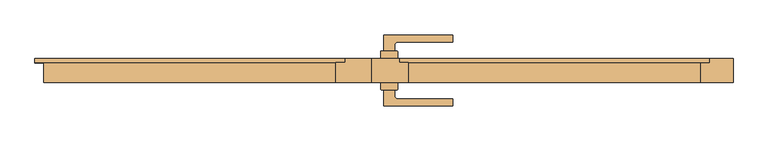
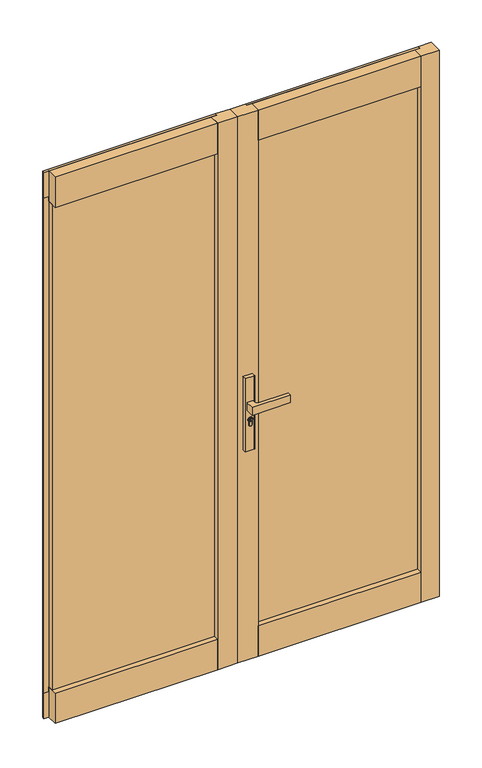
"""IFC4 building model written with IfcOpenShell, lengths in millimetres: door geometry."""

from ifc_helpers import new_model, si_unit, point, frame, frame_2d, origin, place, context, project, spatial, polyline, circle_curve, trimmed, segment, composite_curve, outline, extrude, faceted_brep, source, transform, mapped, element, save


def door_7b1aa5f5(model_context):
    return source(origin(), model_context, "Body", "SolidModel", [
        extrude(outline(composite_curve([segment(trimmed(circle_curve(frame_2d((945.687184, 35.7946715)), 5.9005564), [point((945.687184, 41.6952279))], [point((945.687184, 29.8941151))], False, "CARTESIAN"), True, "CONTINUOUS"), segment(trimmed(circle_curve(frame_2d((945.687184, 35.7946715)), 5.9005564), [point((945.687184, 29.8941151))], [point((945.687184, 41.6952279))], False, "CARTESIAN"), True, "CONTINUOUS")], self_intersect=False), holes=[polyline([(946.7492167, 34.7306001), (949.7292167, 34.7306001), (949.7292167, 36.7785396), (948.9292167, 36.7785396), (948.3483344, 35.7306001), (947.1634303, 35.7306001), (946.3431864, 36.550844), (944.6002002, 36.550844), (944.0258593, 35.7306001), (941.7685105, 35.7306001), (941.7685105, 34.7306001), (944.5464263, 34.7306001), (945.1207673, 35.550844), (945.9289729, 35.550844), (946.7492167, 34.7306001)])]), frame((0.0, -44.6737577, 0.0), z_axis=(0.0, 1.0, 0.0), x_axis=(0.0, 0.0, 1.0)), (0.0, 0.0, 1.0), 4.423715),
        extrude(outline(composite_curve([segment(polyline([(18.1461528, -39.0000422), (18.1461528, -25.0000426), (53.1461525, -25.0000426), (53.1461525, -39.0000422)]), True, "CONTINUOUS"), segment(trimmed(circle_curve(frame_2d((52.1461525, -39.0000422)), 1.0), [point((53.1461525, -39.0000422))], [point((52.1461525, -40.0000422))], False, "CARTESIAN"), True, "CONTINUOUS"), segment(polyline([(52.1461525, -40.0000422), (19.1461528, -40.0000422)]), True, "CONTINUOUS"), segment(trimmed(circle_curve(frame_2d((19.1461528, -39.0000422)), 1.0), [point((19.1461528, -40.0000422))], [point((18.1461528, -39.0000422))], False, "CARTESIAN"), True, "CONTINUOUS")], self_intersect=False)), frame((0.0, 0.0, 822.4734334), z_axis=(0.0, 0.0, 1.0), x_axis=(1.0, 0.0, 0.0)), (0.0, 0.0, 1.0), 287.6450734),
        extrude(outline(composite_curve([segment(trimmed(circle_curve(frame_2d((19.1461528, 38.9999671)), 1.0), [point((18.1461528, 38.9999671))], [point((19.1461528, 39.9999671))], False, "CARTESIAN"), True, "CONTINUOUS"), segment(polyline([(19.1461528, 39.9999671), (52.1461525, 39.9999671)]), True, "CONTINUOUS"), segment(trimmed(circle_curve(frame_2d((52.1461525, 38.9999671)), 1.0), [point((52.1461525, 39.9999671))], [point((53.1461525, 38.9999671))], False, "CARTESIAN"), True, "CONTINUOUS"), segment(polyline([(53.1461525, 38.9999671), (53.1461525, 24.9999674), (18.1461528, 24.9999674), (18.1461528, 38.9999671)]), True, "CONTINUOUS")], self_intersect=False)), frame((0.0, 0.0, 822.4734334), z_axis=(0.0, 0.0, 1.0), x_axis=(1.0, 0.0, 0.0)), (0.0, 0.0, 1.0), 287.6450734),
        extrude(outline(composite_curve([segment(trimmed(circle_curve(frame_2d((945.687184, 35.7946715)), 8.4005564), [point((939.648662, 41.6346715))], [point((939.2521745, 30.3946715))], False, "CARTESIAN"), True, "CONTINUOUS"), segment(polyline([(939.2521745, 30.3946715), (926.2077404, 30.3946715)]), True, "CONTINUOUS"), segment(trimmed(circle_curve(frame_2d((926.2077404, 36.0146715)), 5.62), [point((926.2077404, 30.3946715))], [point((926.2077404, 41.6346715))], False, "CARTESIAN"), True, "CONTINUOUS"), segment(polyline([(926.2077404, 41.6346715), (939.648662, 41.6346715)]), True, "CONTINUOUS")], self_intersect=False), holes=[composite_curve([segment(trimmed(circle_curve(frame_2d((945.687184, 35.7946715)), 6.4005564), [point((945.687184, 42.1952279))], [point((945.687184, 29.3941151))], True, "CARTESIAN"), True, "CONTINUOUS"), segment(trimmed(circle_curve(frame_2d((945.687184, 35.7946715)), 6.4005564), [point((945.687184, 29.3941151))], [point((945.687184, 42.1952279))], True, "CARTESIAN"), True, "CONTINUOUS")], self_intersect=False)]), frame((0.0, -43.3093831, 0.0), z_axis=(0.0, 1.0, 0.0), x_axis=(0.0, 0.0, 1.0)), (0.0, 0.0, 1.0), 3.0593403),
        extrude(outline(composite_curve([segment(trimmed(circle_curve(frame_2d((945.687184, 35.7946715)), 6.4005564), [point((945.687184, 29.3941151))], [point((945.687184, 42.1952279))], False, "CARTESIAN"), True, "CONTINUOUS"), segment(trimmed(circle_curve(frame_2d((945.687184, 35.7946715)), 6.4005564), [point((945.687184, 42.1952279))], [point((945.687184, 29.3941151))], False, "CARTESIAN"), True, "CONTINUOUS")], self_intersect=False), holes=[composite_curve([segment(trimmed(circle_curve(frame_2d((945.687184, 35.7946715)), 5.9005564), [point((945.687184, 29.8941151))], [point((945.687184, 41.6952279))], True, "CARTESIAN"), True, "CONTINUOUS"), segment(trimmed(circle_curve(frame_2d((945.687184, 35.7946715)), 5.9005564), [point((945.687184, 41.6952279))], [point((945.687184, 29.8941151))], True, "CARTESIAN"), True, "CONTINUOUS")], self_intersect=False)]), frame((0.0, -43.3093831, 0.0), z_axis=(0.0, 1.0, 0.0), x_axis=(0.0, 0.0, 1.0)), (0.0, 0.0, 1.0), 3.0593403),
        extrude(outline(composite_curve([segment(polyline([(939.1595834, 30.1946715), (926.2077404, 30.1946715)]), True, "CONTINUOUS"), segment(trimmed(circle_curve(frame_2d((926.2077404, 36.0146715)), 5.82), [point((926.2077404, 30.1946715))], [point((926.2077404, 41.8346715))], False, "CARTESIAN"), True, "CONTINUOUS"), segment(polyline([(926.2077404, 41.8346715), (939.564442, 41.8346715)]), True, "CONTINUOUS"), segment(trimmed(circle_curve(frame_2d((945.687184, 35.7946715)), 8.6005564), [point((939.564442, 41.8346715))], [point((939.1595834, 30.1946715))], False, "CARTESIAN"), True, "CONTINUOUS")], self_intersect=False), holes=[composite_curve([segment(polyline([(926.2077404, 30.3946715), (939.2521745, 30.3946715)]), True, "CONTINUOUS"), segment(trimmed(circle_curve(frame_2d((945.687184, 35.7946715)), 8.4005564), [point((939.2521745, 30.3946715))], [point((939.648662, 41.6346715))], True, "CARTESIAN"), True, "CONTINUOUS"), segment(polyline([(939.648662, 41.6346715), (926.2077404, 41.6346715)]), True, "CONTINUOUS"), segment(trimmed(circle_curve(frame_2d((926.2077404, 36.0146715)), 5.62), [point((926.2077404, 41.6346715))], [point((926.2077404, 30.3946715))], True, "CARTESIAN"), True, "CONTINUOUS")], self_intersect=False)]), frame((0.0, -43.3093831, 0.0), z_axis=(0.0, 1.0, 0.0), x_axis=(0.0, 0.0, 1.0)), (0.0, 0.0, 1.0), 3.0593403),
        extrude(outline(composite_curve([segment(polyline([(24.6461526, -73.8566836), (24.6461526, -40.2500427), (46.6461526, -40.2500427), (46.6461526, -51.7500426)]), True, "CONTINUOUS"), segment(trimmed(circle_curve(frame_2d((54.1461526, -51.7500426)), 7.5), [point((46.6461526, -51.7500426))], [point((54.1506874, -59.2500412))], True, "CARTESIAN"), True, "CONTINUOUS"), segment(polyline([(54.1506874, -59.2500412), (166.646158, -59.2500412), (166.646158, -73.2500422)]), True, "CONTINUOUS"), segment(trimmed(circle_curve(frame_2d((91.646153, 862.7499574)), 939.0), [point((166.646158, -73.2500422))], [point((24.6461526, -73.8566836))], False, "CARTESIAN"), True, "CONTINUOUS")], self_intersect=False)), frame((0.0, 0.0, 985.1796291), z_axis=(0.0, 0.0, 1.0), x_axis=(1.0, 0.0, 0.0)), (0.0, 0.0, 1.0), 29.6407418),
        extrude(outline(composite_curve([segment(trimmed(circle_curve(frame_2d((945.687184, 35.7946715)), 5.9005564), [point((945.687184, 41.6952279))], [point((945.687184, 29.8941151))], False, "CARTESIAN"), True, "CONTINUOUS"), segment(trimmed(circle_curve(frame_2d((945.687184, 35.7946715)), 5.9005564), [point((945.687184, 29.8941151))], [point((945.687184, 41.6952279))], False, "CARTESIAN"), True, "CONTINUOUS")], self_intersect=False), holes=[polyline([(946.7492167, 34.7306001), (949.7292167, 34.7306001), (949.7292167, 36.7785396), (948.9292167, 36.7785396), (948.3483344, 35.7306001), (947.1634303, 35.7306001), (946.3431864, 36.550844), (944.6002002, 36.550844), (944.0258593, 35.7306001), (941.7685105, 35.7306001), (941.7685105, 34.7306001), (944.5464263, 34.7306001), (945.1207673, 35.550844), (945.9289729, 35.550844), (946.7492167, 34.7306001)])]), frame((0.0, 40.2499676, 0.0), z_axis=(0.0, 1.0, 0.0), x_axis=(0.0, 0.0, 1.0)), (0.0, 0.0, 1.0), 4.423715),
        extrude(outline(composite_curve([segment(trimmed(circle_curve(frame_2d((945.687184, 35.7946715)), 8.4005564), [point((939.648662, 41.6346715))], [point((939.2521745, 30.3946715))], False, "CARTESIAN"), True, "CONTINUOUS"), segment(polyline([(939.2521745, 30.3946715), (926.2077404, 30.3946715)]), True, "CONTINUOUS"), segment(trimmed(circle_curve(frame_2d((926.2077404, 36.0146715)), 5.62), [point((926.2077404, 30.3946715))], [point((926.2077404, 41.6346715))], False, "CARTESIAN"), True, "CONTINUOUS"), segment(polyline([(926.2077404, 41.6346715), (939.648662, 41.6346715)]), True, "CONTINUOUS")], self_intersect=False), holes=[composite_curve([segment(trimmed(circle_curve(frame_2d((945.687184, 35.7946715)), 6.4005564), [point((945.687184, 42.1952279))], [point((945.687184, 29.3941151))], True, "CARTESIAN"), True, "CONTINUOUS"), segment(trimmed(circle_curve(frame_2d((945.687184, 35.7946715)), 6.4005564), [point((945.687184, 29.3941151))], [point((945.687184, 42.1952279))], True, "CARTESIAN"), True, "CONTINUOUS")], self_intersect=False)]), frame((0.0, 40.2499676, 0.0), z_axis=(0.0, 1.0, 0.0), x_axis=(0.0, 0.0, 1.0)), (0.0, 0.0, 1.0), 3.0593403),
        extrude(outline(composite_curve([segment(trimmed(circle_curve(frame_2d((945.687184, 35.7946715)), 6.4005564), [point((945.687184, 29.3941151))], [point((945.687184, 42.1952279))], False, "CARTESIAN"), True, "CONTINUOUS"), segment(trimmed(circle_curve(frame_2d((945.687184, 35.7946715)), 6.4005564), [point((945.687184, 42.1952279))], [point((945.687184, 29.3941151))], False, "CARTESIAN"), True, "CONTINUOUS")], self_intersect=False), holes=[composite_curve([segment(trimmed(circle_curve(frame_2d((945.687184, 35.7946715)), 5.9005564), [point((945.687184, 29.8941151))], [point((945.687184, 41.6952279))], True, "CARTESIAN"), True, "CONTINUOUS"), segment(trimmed(circle_curve(frame_2d((945.687184, 35.7946715)), 5.9005564), [point((945.687184, 41.6952279))], [point((945.687184, 29.8941151))], True, "CARTESIAN"), True, "CONTINUOUS")], self_intersect=False)]), frame((0.0, 40.2499676, 0.0), z_axis=(0.0, 1.0, 0.0), x_axis=(0.0, 0.0, 1.0)), (0.0, 0.0, 1.0), 3.0593403),
        extrude(outline(composite_curve([segment(polyline([(939.1595834, 30.1946715), (926.2077404, 30.1946715)]), True, "CONTINUOUS"), segment(trimmed(circle_curve(frame_2d((926.2077404, 36.0146715)), 5.82), [point((926.2077404, 30.1946715))], [point((926.2077404, 41.8346715))], False, "CARTESIAN"), True, "CONTINUOUS"), segment(polyline([(926.2077404, 41.8346715), (939.564442, 41.8346715)]), True, "CONTINUOUS"), segment(trimmed(circle_curve(frame_2d((945.687184, 35.7946715)), 8.6005564), [point((939.564442, 41.8346715))], [point((939.1595834, 30.1946715))], False, "CARTESIAN"), True, "CONTINUOUS")], self_intersect=False), holes=[composite_curve([segment(polyline([(926.2077404, 30.3946715), (939.2521745, 30.3946715)]), True, "CONTINUOUS"), segment(trimmed(circle_curve(frame_2d((945.687184, 35.7946715)), 8.4005564), [point((939.2521745, 30.3946715))], [point((939.648662, 41.6346715))], True, "CARTESIAN"), True, "CONTINUOUS"), segment(polyline([(939.648662, 41.6346715), (926.2077404, 41.6346715)]), True, "CONTINUOUS"), segment(trimmed(circle_curve(frame_2d((926.2077404, 36.0146715)), 5.62), [point((926.2077404, 41.6346715))], [point((926.2077404, 30.3946715))], True, "CARTESIAN"), True, "CONTINUOUS")], self_intersect=False)]), frame((0.0, 40.2499676, 0.0), z_axis=(0.0, 1.0, 0.0), x_axis=(0.0, 0.0, 1.0)), (0.0, 0.0, 1.0), 3.0593403),
        extrude(outline(composite_curve([segment(trimmed(circle_curve(frame_2d((91.646153, -862.7500326)), 939.0), [point((24.6461526, 73.8566084))], [point((166.646158, 73.249967))], False, "CARTESIAN"), True, "CONTINUOUS"), segment(polyline([(166.646158, 73.249967), (166.646158, 59.2499661), (54.1506874, 59.2499661)]), True, "CONTINUOUS"), segment(trimmed(circle_curve(frame_2d((54.1461526, 51.7499674)), 7.5), [point((54.1506874, 59.2499661))], [point((46.6461526, 51.7499674))], True, "CARTESIAN"), True, "CONTINUOUS"), segment(polyline([(46.6461526, 51.7499674), (46.6461526, 40.2499676), (24.6461526, 40.2499676), (24.6461526, 73.8566084)]), True, "CONTINUOUS")], self_intersect=False)), frame((0.0, 0.0, 985.1796291), z_axis=(0.0, 0.0, 1.0), x_axis=(1.0, 0.0, 0.0)), (0.0, 0.0, 1.0), 29.6407418),
        faceted_brep([(56.0654397, 16.0045752, 90.7821405), (56.0654397, 24.9999674, 90.7821405), (56.0654397, 24.9999674, -9.2178595), (56.0654397, 16.0045752, -9.2178595), (698.0000593, 16.0045752, 90.7821405), (698.0000593, 16.0045752, -9.2178595), (698.0000593, 24.9999674, -9.2178595), (698.0000593, 24.9999674, 90.7821405), (75.0, 16.0045752, -9.2178595), (75.0, 16.0045752, 90.7821405), (679.0000593, 16.0045752, 90.7821405), (679.0000593, 16.0045752, -9.2178595), (75.0, -25.0000426, 109.8321405), (75.0, 16.0045752, 109.8321405), (75.0, -25.0000426, -9.2178595), (679.0000593, -25.0000426, 109.8321405), (679.0000593, -25.0000426, -9.2178595), (679.0000593, 16.0045752, 109.8321405)], [[[0, 1, 2, 3]], [[4, 5, 6, 7]], [[0, 3, 8, 9]], [[5, 4, 10, 11]], [[1, 0, 9, 10, 4, 7]], [[2, 1, 7, 6]], [[12, 13, 9, 8, 14]], [[15, 16, 11, 10, 17]], [[12, 14, 16, 15]], [[13, 12, 15, 17]], [[13, 17, 10, 9]], [[14, 8, 3, 2, 6, 5, 11, 16]]]),
        extrude(outline(polyline([(0.0, -25.0000426), (0.0, 24.9999674), (56.0654397, 24.9999674), (56.0654397, 16.0045752), (75.0, 16.0045752), (75.0, -25.0000426), (0.0, -25.0000426)])), frame((0.0, 0.0, -9.2178595), z_axis=(0.0, 0.0, 1.0), x_axis=(1.0, 0.0, 0.0)), (0.0, 0.0, 1.0), 2146.4729926),
        extrude(outline(polyline([(0.0, -25.0000326), (-75.000002, -25.0000326), (-75.000002, 16.0045752), (-55.0, 16.0045752), (-55.0, 24.9999674), (0.0, 24.9999674), (0.0, -25.0000326)])), frame((0.0, 0.0, -9.2178595), z_axis=(0.0, 0.0, 1.0), x_axis=(1.0, 0.0, 0.0)), (0.0, 0.0, 1.0), 2146.4729926),
        extrude(outline(polyline([(-75.0, 16.0045752), (-75.0, -4.9954248), (-678.8000837, -4.9954248), (-678.8000837, 16.0045752), (-75.0, 16.0045752)])), frame((0.0, 0.0, 109.8321405), z_axis=(0.0, 0.0, 1.0), x_axis=(1.0, 0.0, 0.0)), (0.0, 0.0, 1.0), 1908.3729905),
        extrude(outline(polyline([(-55.0, 24.9999674), (-55.0, 16.0045752), (-697.1752952, 16.0045752), (-697.1752952, 24.9999674), (-55.0, 24.9999674)])), frame((0.0, 0.0, 2037.205133), z_axis=(0.0, 0.0, 1.0), x_axis=(1.0, 0.0, 0.0)), (0.0, 0.0, 1.0), 100.05),
        extrude(outline(polyline([(-75.000002, 16.0045752), (-75.000002, -25.0000651), (-678.9042577, -25.0000651), (-678.9042577, 16.0045752), (-75.000002, 16.0045752)])), frame((0.0, 0.0, 2018.205133), z_axis=(0.0, 0.0, 1.0), x_axis=(1.0, 0.0, 0.0)), (0.0, 0.0, 1.0), 119.05),
        extrude(outline(polyline([(-75.000002, 16.0045752), (-75.000002, -25.0000651), (-678.8000837, -25.0000651), (-678.8000837, 16.0045752), (-75.000002, 16.0045752)])), frame((0.0, 0.0, -9.2178595), z_axis=(0.0, 0.0, 1.0), x_axis=(1.0, 0.0, 0.0)), (0.0, 0.0, 1.0), 119.05),
        extrude(outline(polyline([(-75.000002, 24.9999674), (-75.000002, 16.0045752), (-678.8000837, 16.0045752), (-678.8000837, 24.9999674), (-75.000002, 24.9999674)])), frame((0.0, 0.0, 2018.205133), z_axis=(0.0, 0.0, 1.0), x_axis=(1.0, 0.0, 0.0)), (0.0, 0.0, 1.0), 19.0),
        extrude(outline(polyline([(-75.000002, 24.9999674), (-75.000002, 16.0045752), (-678.8000837, 16.0045752), (-678.8000837, 24.9999674), (-75.000002, 24.9999674)])), frame((0.0, 0.0, 90.7821405), z_axis=(0.0, 0.0, 1.0), x_axis=(1.0, 0.0, 0.0)), (0.0, 0.0, 1.0), 19.05),
        extrude(outline(polyline([(-55.0, 24.9999674), (-55.0, 16.0045752), (-697.1752952, 16.0045752), (-697.1752952, 24.9999674), (-55.0, 24.9999674)])), frame((0.0, 0.0, -9.2178595), z_axis=(0.0, 0.0, 1.0), x_axis=(1.0, 0.0, 0.0)), (0.0, 0.0, 1.0), 100.0),
        extrude(outline(polyline([(-75.000002, 16.0045752), (-75.000002, 24.9999674), (-55.0, 24.9999674), (-55.0, 16.0045752), (-75.000002, 16.0045752)])), frame((0.0, 0.0, 90.7821405), z_axis=(0.0, 0.0, 1.0), x_axis=(1.0, 0.0, 0.0)), (0.0, 0.0, 1.0), 1946.4229926),
        extrude(outline(polyline([(75.047959, 16.0045752), (56.1133987, 16.0045752), (56.1133987, 24.9999674), (75.047959, 24.9999674), (75.047959, 16.0045752)])), frame((0.0, 0.0, 90.7821405), z_axis=(0.0, 0.0, 1.0), x_axis=(1.0, 0.0, 0.0)), (0.0, 0.0, 1.0), 1946.4229926),
        extrude(outline(polyline([(75.0, 16.0045752), (679.0000593, 16.0045752), (679.0000593, -4.9954248), (75.0, -4.9954248), (75.0, 16.0045752)])), frame((0.0, 0.0, 109.8321405), z_axis=(0.0, 0.0, 1.0), x_axis=(1.0, 0.0, 0.0)), (0.0, 0.0, 1.0), 1908.3729905),
        extrude(outline(polyline([(679.0000593, 16.0045752), (679.0000593, 24.9999674), (698.0000593, 24.9999674), (698.0000593, 16.0045752), (679.0000593, 16.0045752)])), frame((0.0, 0.0, 90.7821405), z_axis=(0.0, 0.0, 1.0), x_axis=(1.0, 0.0, 0.0)), (0.0, 0.0, 1.0), 1946.4229926),
        extrude(outline(polyline([(56.0654397, 16.0045752), (56.0654397, 24.9999674), (698.0000593, 24.9999674), (698.0000593, 16.0045752), (56.0654397, 16.0045752)])), frame((0.0, 0.0, 2037.205133), z_axis=(0.0, 0.0, 1.0), x_axis=(1.0, 0.0, 0.0)), (0.0, 0.0, 1.0), 100.05),
        extrude(outline(polyline([(75.0, -25.0000651), (75.0, 16.0045752), (678.8000837, 16.0045752), (678.8000837, -25.0000651), (75.0, -25.0000651)])), frame((0.0, 0.0, 2018.205133), z_axis=(0.0, 0.0, 1.0), x_axis=(1.0, 0.0, 0.0)), (0.0, 0.0, 1.0), 119.05),
        extrude(outline(polyline([(75.0, 16.0045752), (75.0, 24.9999674), (678.8000837, 24.9999674), (678.8000837, 16.0045752), (75.0, 16.0045752)])), frame((0.0, 0.0, 2018.205133), z_axis=(0.0, 0.0, 1.0), x_axis=(1.0, 0.0, 0.0)), (0.0, 0.0, 1.0), 19.0),
        extrude(outline(polyline([(75.0, 16.0045752), (75.0, 24.9999674), (679.0000593, 24.9999674), (679.0000593, 16.0045752), (75.0, 16.0045752)])), frame((0.0, 0.0, 90.7821405), z_axis=(0.0, 0.0, 1.0), x_axis=(1.0, 0.0, 0.0)), (0.0, 0.0, 1.0), 19.05),
        extrude(outline(polyline([(-678.8000837, 16.0045752), (-697.1752952, 16.0045752), (-697.1752952, 24.9999674), (-678.8000837, 24.9999674), (-678.8000837, 16.0045752)])), frame((0.0, 0.0, 90.7821405), z_axis=(0.0, 0.0, 1.0), x_axis=(1.0, 0.0, 0.0)), (0.0, 0.0, 1.0), 1946.4229926),
        extrude(outline(polyline([(679.0000593, -25.0000651), (679.0000593, 16.0045752), (698.0000593, 16.0045752), (698.0000593, 24.9999674), (747.0000593, 24.9999674), (747.0000593, -25.0000651), (679.0000593, -25.0000651)])), frame((0.0, 0.0, -9.2178595), z_axis=(0.0, 0.0, 1.0), x_axis=(1.0, 0.0, 0.0)), (0.0, 0.0, 1.0), 2146.4729926),
    ])


if __name__ == "__main__":
    model = new_model("IFC4")
    model_context = context("Model", 3, world=origin())
    ifc_project = project(units=[si_unit("LENGTHUNIT", "METRE", prefix="MILLI")], contexts=[model_context])
    site = spatial("IfcSite", under=ifc_project)
    building = spatial("IfcBuilding", under=site)
    placement = place(None, origin())
    door_shape = door_7b1aa5f5(model_context)
    element("IfcDoor", 1, at=placement, inside=building, context=model_context, shape_type="MappedRepresentation", body=[
        mapped(door_shape, transform((0.0, 0.0, 0.0), x_axis=(1.0, 0.0, 0.0), y_axis=(0.0, 1.0, 0.0), z_axis=(0.0, 0.0, 1.0))),
    ])
    save(model, "model.ifc")
